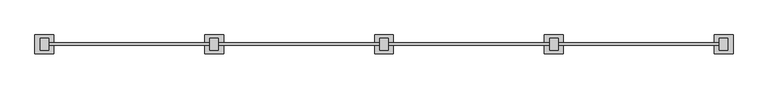
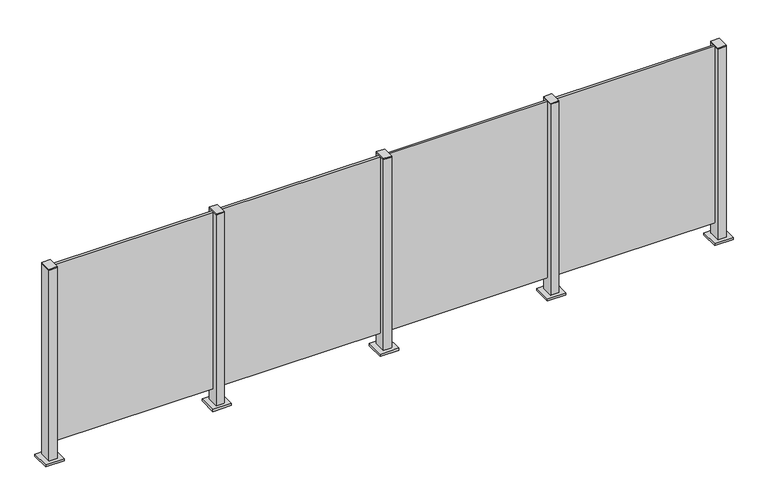
"""IFC4 building model written with IfcOpenShell, lengths in millimetres: railing geometry."""

import ifcopenshell
import ifcopenshell.guid

model = None  # the IFC model being written
_history = None  # IfcOwnerHistory: only IFC2X3 demands one
_inside = {}  # id of a spatial element -> (the spatial element, [elements in it])
_under = {}  # id of a project, library or spatial element -> (it, [spatial elements below it])
_declared = {}  # id of a project -> (the project, [libraries it declares])
_typed = {}  # id of a type object -> (the type object, [elements of that type])
_made_of = {}  # id of a material, layer set ... -> (it, [elements and type objects made of it])


def new_model(schema):
    """Start an empty IFC model of exactly this schema.

    Asked for "IFC4X3", IfcOpenShell would pick the latest addendum, in which some entities
    have other attributes; the version numbers below select the first issue.
    IFC2X3 requires an IfcOwnerHistory on every rooted entity: one is made here for all.
    """
    global model, _history
    if schema == "IFC4X3":
        model = ifcopenshell.file(schema_version=(4, 3, 0, 0))
    else:
        model = ifcopenshell.file(schema=schema)
    _inside.clear()
    _under.clear()
    _declared.clear()
    _typed.clear()
    _made_of.clear()
    _history = None
    if model.schema == "IFC2X3":
        org = make("IfcOrganization", Name="unknown")
        user = make(
            "IfcPersonAndOrganization",
            ThePerson=make("IfcPerson", FamilyName="unknown"),
            TheOrganization=org,
        )
        app = make(
            "IfcApplication",
            ApplicationDeveloper=org,
            Version="unknown",
            ApplicationFullName="unknown",
            ApplicationIdentifier="unknown",
        )
        _history = make(
            "IfcOwnerHistory",
            OwningUser=user,
            OwningApplication=app,
            ChangeAction="ADDED",
            CreationDate=0,
        )
    return model


def make(cls, **values):
    """One entity of the class cls with the attributes given. An attribute that is None is left unset."""
    return model.create_entity(
        cls, **{name: value for name, value in values.items() if value is not None}
    )


def rooted(cls, **values):
    """An entity with a GlobalId (a new one), such as an element, a storey or a relation."""
    return make(cls, GlobalId=ifcopenshell.guid.new(), OwnerHistory=_history, **values)


def si_unit(unit_type, name, prefix=None):
    """IfcSIUnit, for example si_unit("LENGTHUNIT", "METRE", prefix="MILLI")."""
    return make("IfcSIUnit", UnitType=unit_type, Prefix=prefix, Name=name)


def assignment(units):
    """IfcUnitAssignment: the units of a project."""
    return None if units is None else make("IfcUnitAssignment", Units=units)


def point(xyz):
    """IfcCartesianPoint."""
    return None if xyz is None else make("IfcCartesianPoint", Coordinates=xyz)


def direction(xyz):
    """IfcDirection."""
    return None if xyz is None else make("IfcDirection", DirectionRatios=xyz)


def frame(location, z_axis=None, x_axis=None):
    """IfcAxis2Placement3D, a coordinate frame: its origin and axes. An axis left out is left unset."""
    return make(
        "IfcAxis2Placement3D",
        Location=point(location),
        Axis=direction(z_axis),
        RefDirection=direction(x_axis),
    )


def origin():
    """The frame at (0, 0, 0) with its axes left unset."""
    return frame((0.0, 0.0, 0.0))


def origin_with_axes():
    """The frame at (0, 0, 0) with the z axis (0, 0, 1) and the x axis (1, 0, 0) written out."""
    return frame((0.0, 0.0, 0.0), z_axis=(0.0, 0.0, 1.0), x_axis=(1.0, 0.0, 0.0))


def place(relative_to, where):
    """IfcLocalPlacement: puts the frame where relative to a parent placement (None: the world)."""
    return make(
        "IfcLocalPlacement", PlacementRelTo=relative_to, RelativePlacement=where
    )


def context(
    kind, dimensions, precision=None, world=None, true_north=None, identifier=None
):
    """IfcGeometricRepresentationContext, for example the 3D "Model" context."""
    return make(
        "IfcGeometricRepresentationContext",
        ContextIdentifier=identifier,
        ContextType=kind,
        CoordinateSpaceDimension=dimensions,
        Precision=precision,
        WorldCoordinateSystem=world,
        TrueNorth=true_north,
    )


def project(units=None, contexts=None):
    """IfcProject with its units and contexts."""
    return rooted(
        "IfcProject",
        Name="project",
        RepresentationContexts=contexts,
        UnitsInContext=assignment(units),
    )


def spatial(cls, under=None, at=None, **own):
    """A site, building, storey or space (cls), placed at a placement, below another one or the project."""
    s = rooted(cls, ObjectPlacement=at, **own)
    if under is not None:
        _under.setdefault(under.id(), (under, []))[1].append(s)
    return s


def polyline(points):
    """IfcPolyline through the points."""
    return make("IfcPolyline", Points=[point(p) for p in points])


def outline(outer, holes=None, kind="AREA"):
    """IfcArbitraryClosedProfileDef: a profile drawn as a closed curve; with holes, ...WithVoids."""
    if holes is None:
        return make("IfcArbitraryClosedProfileDef", ProfileType=kind, OuterCurve=outer)
    return make(
        "IfcArbitraryProfileDefWithVoids",
        ProfileType=kind,
        OuterCurve=outer,
        InnerCurves=holes,
    )


def extrude(swept, where, along, depth):
    """IfcExtrudedAreaSolid: the profile swept, set in the frame where, extruded along a direction by depth."""
    return make(
        "IfcExtrudedAreaSolid",
        SweptArea=swept,
        Position=where,
        ExtrudedDirection=direction(along),
        Depth=depth,
    )


def shape(context_of_items, identifier, shape_type, items):
    """IfcShapeRepresentation: the items that make up one representation, for example the "Body"."""
    return make(
        "IfcShapeRepresentation",
        ContextOfItems=context_of_items,
        RepresentationIdentifier=identifier,
        RepresentationType=shape_type,
        Items=items,
    )


def source(mapping_origin, context_of_items, identifier, shape_type, items):
    """IfcRepresentationMap: a shape defined once, which mapped items show again and again."""
    return make(
        "IfcRepresentationMap",
        MappingOrigin=mapping_origin,
        MappedRepresentation=shape(context_of_items, identifier, shape_type, items),
    )


def transform(
    local_origin,
    x_axis=None,
    y_axis=None,
    z_axis=None,
    scale=None,
    scale2=None,
    scale3=None,
    uniform=True,
):
    """IfcCartesianTransformationOperator3D, or its non-uniform kind. x_axis, y_axis, z_axis: its Axis1, 2, 3."""
    if uniform:
        return make(
            "IfcCartesianTransformationOperator3D",
            Axis1=direction(x_axis),
            Axis2=direction(y_axis),
            LocalOrigin=point(local_origin),
            Scale=scale,
            Axis3=direction(z_axis),
        )
    return make(
        "IfcCartesianTransformationOperator3DnonUniform",
        Axis1=direction(x_axis),
        Axis2=direction(y_axis),
        LocalOrigin=point(local_origin),
        Scale=scale,
        Axis3=direction(z_axis),
        Scale2=scale2,
        Scale3=scale3,
    )


def mapped(mapping_source, mapping_target):
    """IfcMappedItem: shows the shape of a source again, moved by a transform."""
    return make(
        "IfcMappedItem", MappingSource=mapping_source, MappingTarget=mapping_target
    )


def made_of(thing, what):
    """Note that an element or type object is made of a material, layer set ...; save() writes the relation."""
    if what is not None:
        _made_of.setdefault(what.id(), (what, []))[1].append(thing)
    return thing


def element(
    cls,
    number,
    at=None,
    inside=None,
    cuts=None,
    type_object=None,
    material=None,
    context=None,
    identifier="Body",
    shape_type=None,
    held_by="IfcProductDefinitionShape",
    body=None,
    shapes=None,
    **own,
):
    """One element of the class cls, such as IfcWall. Its Tag is "e" and its number.

    at: its placement. inside: the storey or other place that contains it. cuts: it is an
    opening in that element (IfcRelVoidsElement). A single representation is given by context,
    identifier, shape_type and body (its items); several are given by shapes. held_by: the class
    of the entity that holds the representations. save() writes the other relations.
    """
    e = rooted(cls, Tag="e%d" % number, ObjectPlacement=at, **own)
    if body is not None:
        shapes = [shape(context, identifier, shape_type, body)]
    if shapes is not None:
        e.Representation = make(held_by, Representations=shapes)
    if inside is not None:
        _inside.setdefault(inside.id(), (inside, []))[1].append(e)
    if cuts is not None:
        rooted(
            "IfcRelVoidsElement", RelatingBuildingElement=cuts, RelatedOpeningElement=e
        )
    if type_object is not None:
        _typed.setdefault(type_object.id(), (type_object, []))[1].append(e)
    return made_of(e, material)


def aggregate(whole, parts):
    """IfcRelAggregates: a whole, such as a stair, and the parts it consists of."""
    return rooted("IfcRelAggregates", RelatingObject=whole, RelatedObjects=parts)


def save(model, path):
    """Write the relations noted so far, then the file.

    IfcRelAggregates (storeys below a building ...), IfcRelContainedInSpatialStructure (elements
    in a storey), IfcRelDefinesByType, IfcRelAssociatesMaterial and IfcRelDeclares: one each for
    every whole, place, type object, material and project.
    """
    for whole, parts in _under.values():
        aggregate(whole, parts)
    for where, things in _inside.values():
        rooted(
            "IfcRelContainedInSpatialStructure",
            RelatedElements=things,
            RelatingStructure=where,
        )
    for kind, things in _typed.values():
        rooted("IfcRelDefinesByType", RelatedObjects=things, RelatingType=kind)
    for what, things in _made_of.values():
        rooted("IfcRelAssociatesMaterial", RelatedObjects=things, RelatingMaterial=what)
    for by, libraries in _declared.values():
        rooted("IfcRelDeclares", RelatingContext=by, RelatedDefinitions=libraries)
    model.write(path)


def railing_48a94287(model_context):
    return source(origin(), model_context, "Body", "SweptSolid", [
        extrude(outline(polyline([(32710.0, 5197.5598727), (33590.0, 5197.5598727), (33590.0, 5184.3598727), (32710.0, 5184.3598727), (32710.0, 5197.5598727)])), frame((0.0, 0.0, 95.0), z_axis=(0.0, 0.0, 1.0), x_axis=(1.0, 0.0, 0.0)), (0.0, 0.0, 1.0), 1005.0),
        extrude(outline(polyline([(32722.5, 5157.6846828), (32677.5, 5157.6846828), (32677.5, 5222.6846828), (32722.5, 5222.6846828), (32722.5, 5157.6846828)])), frame((0.0, 0.0, 1100.0), z_axis=(0.0, 0.0, 1.0), x_axis=(1.0, 0.0, 0.0)), (0.0, 0.0, 1.0), 5.0),
        extrude(outline(polyline([(32750.0, 5140.1846828), (32650.0, 5140.1846828), (32650.0, 5240.1846828), (32750.0, 5240.1846828), (32750.0, 5140.1846828)])), origin_with_axes(), (0.0, 0.0, 1.0), 12.0),
        extrude(outline(polyline([(32722.5, 5157.6846828), (32677.5, 5157.6846828), (32677.5, 5222.6846828), (32722.5, 5222.6846828), (32722.5, 5157.6846828)])), frame((0.0, 0.0, 12.0), z_axis=(0.0, 0.0, 1.0), x_axis=(1.0, 0.0, 0.0)), (0.0, 0.0, 1.0), 1088.0),
        extrude(outline(polyline([(31810.0, 5197.5598727), (32690.0, 5197.5598727), (32690.0, 5184.3598727), (31810.0, 5184.3598727), (31810.0, 5197.5598727)])), frame((0.0, 0.0, 95.0), z_axis=(0.0, 0.0, 1.0), x_axis=(1.0, 0.0, 0.0)), (0.0, 0.0, 1.0), 1005.0),
        extrude(outline(polyline([(31822.5, 5157.6846828), (31777.5, 5157.6846828), (31777.5, 5222.6846828), (31822.5, 5222.6846828), (31822.5, 5157.6846828)])), frame((0.0, 0.0, 1100.0), z_axis=(0.0, 0.0, 1.0), x_axis=(1.0, 0.0, 0.0)), (0.0, 0.0, 1.0), 5.0),
        extrude(outline(polyline([(31850.0, 5140.1846828), (31750.0, 5140.1846828), (31750.0, 5240.1846828), (31850.0, 5240.1846828), (31850.0, 5140.1846828)])), origin_with_axes(), (0.0, 0.0, 1.0), 12.0),
        extrude(outline(polyline([(31822.5, 5157.6846828), (31777.5, 5157.6846828), (31777.5, 5222.6846828), (31822.5, 5222.6846828), (31822.5, 5157.6846828)])), frame((0.0, 0.0, 12.0), z_axis=(0.0, 0.0, 1.0), x_axis=(1.0, 0.0, 0.0)), (0.0, 0.0, 1.0), 1088.0),
        extrude(outline(polyline([(30910.0, 5197.5598727), (31790.0, 5197.5598727), (31790.0, 5184.3598727), (30910.0, 5184.3598727), (30910.0, 5197.5598727)])), frame((0.0, 0.0, 95.0), z_axis=(0.0, 0.0, 1.0), x_axis=(1.0, 0.0, 0.0)), (0.0, 0.0, 1.0), 1005.0),
        extrude(outline(polyline([(30922.5, 5157.6846828), (30877.5, 5157.6846828), (30877.5, 5222.6846828), (30922.5, 5222.6846828), (30922.5, 5157.6846828)])), frame((0.0, 0.0, 1100.0), z_axis=(0.0, 0.0, 1.0), x_axis=(1.0, 0.0, 0.0)), (0.0, 0.0, 1.0), 5.0),
        extrude(outline(polyline([(30950.0, 5140.1846828), (30850.0, 5140.1846828), (30850.0, 5240.1846828), (30950.0, 5240.1846828), (30950.0, 5140.1846828)])), origin_with_axes(), (0.0, 0.0, 1.0), 12.0),
        extrude(outline(polyline([(30922.5, 5157.6846828), (30877.5, 5157.6846828), (30877.5, 5222.6846828), (30922.5, 5222.6846828), (30922.5, 5157.6846828)])), frame((0.0, 0.0, 12.0), z_axis=(0.0, 0.0, 1.0), x_axis=(1.0, 0.0, 0.0)), (0.0, 0.0, 1.0), 1088.0),
        extrude(outline(polyline([(30010.0, 5197.5598727), (30890.0, 5197.5598727), (30890.0, 5184.3598727), (30010.0, 5184.3598727), (30010.0, 5197.5598727)])), frame((0.0, 0.0, 95.0), z_axis=(0.0, 0.0, 1.0), x_axis=(1.0, 0.0, 0.0)), (0.0, 0.0, 1.0), 1005.0),
        extrude(outline(polyline([(33622.5, 5157.6846828), (33577.5, 5157.6846828), (33577.5, 5222.6846828), (33622.5, 5222.6846828), (33622.5, 5157.6846828)])), frame((0.0, 0.0, 1100.0), z_axis=(0.0, 0.0, 1.0), x_axis=(1.0, 0.0, 0.0)), (0.0, 0.0, 1.0), 5.0),
        extrude(outline(polyline([(33650.0, 5140.1846828), (33550.0, 5140.1846828), (33550.0, 5240.1846828), (33650.0, 5240.1846828), (33650.0, 5140.1846828)])), origin_with_axes(), (0.0, 0.0, 1.0), 12.0),
        extrude(outline(polyline([(33622.5, 5157.6846828), (33577.5, 5157.6846828), (33577.5, 5222.6846828), (33622.5, 5222.6846828), (33622.5, 5157.6846828)])), frame((0.0, 0.0, 12.0), z_axis=(0.0, 0.0, 1.0), x_axis=(1.0, 0.0, 0.0)), (0.0, 0.0, 1.0), 1088.0),
        extrude(outline(polyline([(30022.5, 5157.6846828), (29977.5, 5157.6846828), (29977.5, 5222.6846828), (30022.5, 5222.6846828), (30022.5, 5157.6846828)])), frame((0.0, 0.0, 1100.0), z_axis=(0.0, 0.0, 1.0), x_axis=(1.0, 0.0, 0.0)), (0.0, 0.0, 1.0), 5.0),
        extrude(outline(polyline([(30050.0, 5140.1846828), (29950.0, 5140.1846828), (29950.0, 5240.1846828), (30050.0, 5240.1846828), (30050.0, 5140.1846828)])), origin_with_axes(), (0.0, 0.0, 1.0), 12.0),
        extrude(outline(polyline([(30022.5, 5157.6846828), (29977.5, 5157.6846828), (29977.5, 5222.6846828), (30022.5, 5222.6846828), (30022.5, 5157.6846828)])), frame((0.0, 0.0, 12.0), z_axis=(0.0, 0.0, 1.0), x_axis=(1.0, 0.0, 0.0)), (0.0, 0.0, 1.0), 1088.0),
    ])


if __name__ == "__main__":
    model = new_model("IFC4")
    model_context = context("Model", 3, world=origin())
    ifc_project = project(units=[si_unit("LENGTHUNIT", "METRE", prefix="MILLI")], contexts=[model_context])
    site = spatial("IfcSite", under=ifc_project)
    building = spatial("IfcBuilding", under=site)
    placement = place(None, origin())
    railing_shape = railing_48a94287(model_context)
    element("IfcRailing", 1, at=placement, inside=building, context=model_context, shape_type="MappedRepresentation", body=[
        mapped(railing_shape, transform((0.0, 0.0, 0.0), x_axis=(1.0, 0.0, 0.0), y_axis=(0.0, 1.0, 0.0), z_axis=(0.0, 0.0, 1.0))),
    ])
    save(model, "model.ifc")
